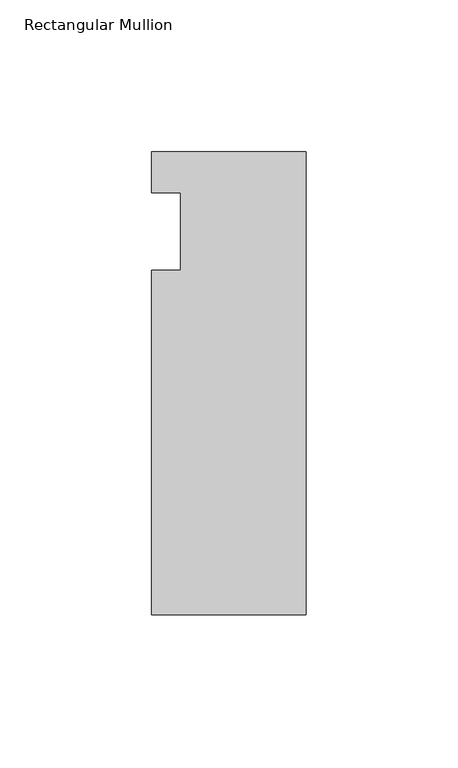
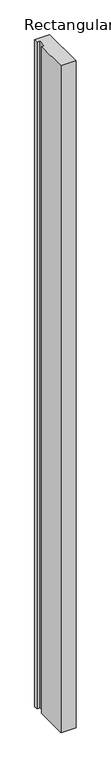
"""IFC4 building model written with IfcOpenShell, lengths in millimetres: member geometry, Rectangular Mullion."""

from ifc_helpers import new_model, si_unit, frame, origin, place, context, project, spatial, polyline, outline, extrude, source, transform, mapped, element, save


def rectangular_mullion_2afd4ac3(model_context):
    return source(origin(), model_context, "Body", "SweptSolid", [
        extrude(outline(polyline([(-50.8, 26.19375), (0.0, 26.19375), (0.0, -126.20625), (-50.8, -126.20625), (-50.8, -12.7), (-41.275, -12.7), (-41.275, 12.7), (-50.8, 12.7), (-50.8, 26.19375)])), frame((0.0, 0.0, -2374.9), z_axis=(0.0, 0.0, 1.0), x_axis=(1.0, 0.0, 0.0)), (0.0, 0.0, 1.0), 2374.8923531),
    ])


if __name__ == "__main__":
    model = new_model("IFC4")
    model_context = context("Model", 3, world=origin())
    ifc_project = project(units=[si_unit("LENGTHUNIT", "METRE", prefix="MILLI")], contexts=[model_context])
    site = spatial("IfcSite", under=ifc_project)
    building = spatial("IfcBuilding", under=site)
    placement = place(None, origin())
    rectangular_mullion_shape = rectangular_mullion_2afd4ac3(model_context)
    element("IfcMember", 1, ObjectType="Rectangular Mullion", at=placement, inside=building, context=model_context, shape_type="MappedRepresentation", body=[
        mapped(rectangular_mullion_shape, transform((0.0, 0.0, 0.0), x_axis=(1.0, 0.0, 0.0), y_axis=(0.0, 1.0, 0.0), z_axis=(0.0, 0.0, 1.0))),
    ])
    save(model, "model.ifc")
